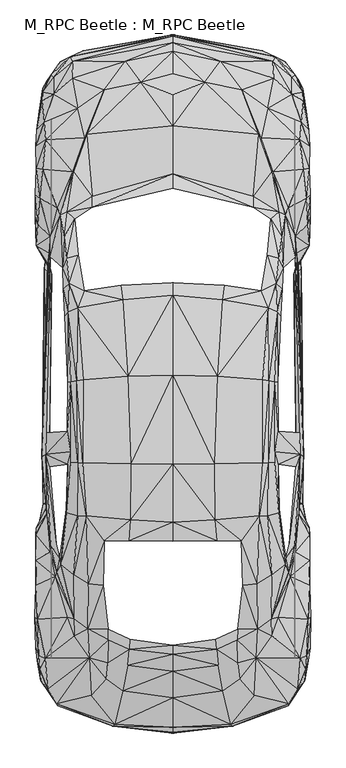
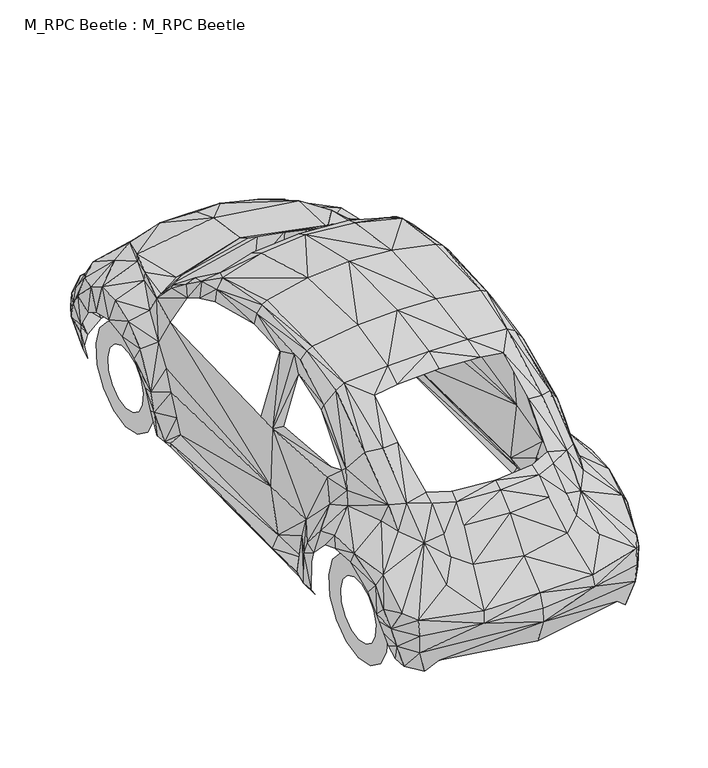
"""IFC4 building model written with IfcOpenShell, lengths in millimetres: proxy geometry, M_RPC Beetle : M_RPC Beetle."""

from ifc_helpers import new_model, si_unit, origin, place, context, project, spatial, triangles, source, transform, mapped, element, save


def m_rpc_beetle_m_rpc_beetle_b6d71803(model_context):
    return source(origin(), model_context, "Body", "Tessellation", [
        triangles([(0.0, -749.071574, 521.742899), (0.0, -720.6335569, 604.033443), (0.0, -697.1470545, 283.3282728), (0.0, -553.0728908, 738.9057701), (0.0, -753.760096, 438.7513078), (0.0, -253.8386484, 1040.4185434), (0.0, -401.3744104, 922.0218458), (0.0, -305.0182643, 1012.9445663), (0.0, 339.5469707, 1396.6602436), (0.0, 448.9171117, 1443.1075539), (0.0, 778.6050184, 1505.0664173), (0.0, 1285.8879353, 1510.4998066), (0.0, 1742.2541199, 1403.2768456), (0.0, 2432.6093651, 967.8556761), (0.0, 3132.1224815, 632.4714237), (0.0, 3003.4724854, 772.0323092), (0.0, 2706.0784286, 929.3833151), (0.0, 3166.3445206, 220.3177475), (0.0, 2885.1195351, 859.3180424), (0.0, 3224.7104347, 396.0724085), (0.0, 3181.1549538, 556.1401817), (0.0, 3216.1220055, 530.6379956), (-338.407687, -715.988855, 523.3642027), (-331.2653541, -702.6243364, 593.8676027), (-244.8997318, -218.1706584, 1034.7659815), (-249.1500901, -276.1420835, 1003.6112698), (-257.9137267, -368.4231514, 912.4695219), (-249.2377301, 343.0524253, 1381.9373051), (-285.431542, -511.8838351, 760.9462852), (-240.2988317, 460.3974792, 1427.552108), (-236.6180971, 781.4093531, 1494.4185207), (-652.9344915, -590.6250681, 370.7455024), (-540.4532759, -593.7361791, 283.6349946), (-181.3633847, 2956.2803078, 806.8677555), (-253.3566466, 1279.4466133, 1497.179108), (-380.1225826, -444.6667534, 798.8051662), (-371.1837024, -353.5687892, 889.7717068), (-368.2478714, -222.3771967, 1004.1371098), (-368.6422514, -160.8126769, 1037.3951088), (-390.4198829, 343.0962453, 1359.9406826), (-282.758631, 1714.4296555, 1400.2533382), (-397.6060358, 87.5486986, 1216.1732225), (-463.4209502, -538.1309249, 705.2972111), (-271.6726434, 3074.4140854, 663.1441154), (-476.0843851, -323.2904411, 850.4230185), (-464.0343939, 3087.9975586, 214.4022838), (-482.5694544, 95.8303334, 1204.2108713), (-485.3738254, -159.4104914, 1005.7583771), (-569.1103566, 3073.5815781, 547.1136251), (-493.874542, 483.577278, 1392.2346416), (-583.6579788, 3101.4935371, 522.400199), (-510.6130915, 3134.4011215, 369.6500387), (-392.1287902, 2913.6012268, 783.2935404), (-656.7905062, -598.249421, 480.4223834), (-660.6903408, -585.2354261, 576.6470695), (-562.669071, -200.2052034, 880.3069502), (-560.43436, -101.5266881, 987.8367239), (-512.8040188, 786.711355, 1449.4173431), (-542.1621832, 485.1109417, 1360.7731899), (-564.3779783, 148.6750366, 1173.0999796), (-608.8972449, -561.6174273, 218.6088402), (-511.6209151, 1259.3779255, 1457.1731197), (-542.7756269, 785.2215477, 1431.62715), (-459.1705556, 2305.6242382, 949.6711029), (-601.448172, -92.8068806, 893.8030014), (-504.0842022, 1766.485635, 1321.8626289), (-546.4125415, 1253.8568962, 1442.4940739), (-603.419963, 501.4989312, 1279.4466133), (-580.5469042, 789.4281223, 1379.6588104), (-607.6265376, 520.2092717, 1235.979063), (-601.6672357, 965.9276688, 1337.9439148), (-712.9654203, -503.4269022, 590.8879881), (-543.0385468, 1671.1811325, 1362.0876446), (-490.9387473, 2659.6751564, 894.1096687), (-600.0459683, 778.6050184, 1308.1913704), (-598.468521, 1244.567347, 1344.6919041), (-640.008173, 208.2677382, 1063.2039986), (-680.8904886, -470.5194632, 218.8279221), (-538.8320086, 1968.0492039, 1181.3815962), (-581.3794478, 1249.0807343, 1402.7071129), (-644.9596149, 243.4537263, 1028.9820322), (-502.6819985, 2637.5907486, 866.5918716), (-661.1722881, 162.3463042, 955.8933249), (-690.7057325, -396.8611321, 226.9780968), (-559.5141764, 2176.4921494, 1011.849139), (-670.6370447, 140.9630437, 873.2960409), (-662.9250154, 324.5173285, 1010.1402317), (-615.5138105, 1624.5585423, 1262.9710201), (-595.0507064, 1647.2125374, 1322.1692963), (-589.8363444, 1810.8295853, 1270.2885967), (-729.3095535, -482.3065707, 373.4622334), (-752.0950087, -454.7449536, 476.8731088), (-694.5179272, 315.5346282, 958.4347395), (-727.0748789, -327.5407994, 736.0575428), (-623.3572271, 1778.4479862, 1193.6068674), (-565.0352783, 2447.3761963, 934.772957), (-732.2892408, -394.1444012, 324.3420848), (-571.3888876, 2445.9300636, 884.7764448), (-699.1188818, 280.0419, 808.1822828), (-604.6907066, 1951.091518, 1171.2596123), (-587.8206971, 3015.1281693, 200.2490234), (-691.4068525, 574.6314222, 283.8102746), (-750.7366613, -381.2618663, 397.2555121), (-627.9581818, 1897.5456585, 1125.469602), (-602.8941593, 2217.067725, 949.8025629), (-619.8517725, 2074.2206303, 1075.9989298), (-710.949773, 550.0056361, 448.9171117), (-765.2404999, -360.5796985, 467.8465522), (-699.9952091, 763.1372126, 1016.187101), (-763.8382599, -313.4313409, 671.3819847), (-758.3609779, -391.2086065, 565.0352783), (-717.9606823, 496.6350929, 583.9647188), (-723.2188643, 461.5367629, 181.1004829), (-718.1359623, 554.8256181, 180.0050374), (-771.9884892, -342.0446016, 511.3579951), (-574.3247186, 2977.4883156, 683.0814159), (-731.2813808, 376.1351443, 185.3070212), (-541.5487395, 2807.2984131, 783.4688204), (-640.183453, 2199.9349045, 944.8949409), (-739.4315374, 551.9336434, 222.5524767), (-782.1104731, -268.9559124, 609.6421486), (-772.8209965, -106.1275973, 756.4330433), (-722.2110043, 958.3909195, 967.6803961), (-703.8074038, 810.6798775, 292.5300731), (-725.3221516, 835.6124399, 965.0075214), (-758.2734106, 370.7893224, 225.6197495), (-785.8788477, -90.0025187, 695.9639145), (-780.1824657, 80.9759712, 676.0266867), (-779.9195457, 89.5643369, 755.1622633), (-760.9024652, 444.4038334, 223.2973804), (-778.6050184, 192.2302905, 631.3321764), (-659.0690735, 2238.6701855, 850.3353785), (-771.4626492, 345.7253363, 426.4822165), (-774.7051838, 315.3593482, 502.0247349), (-781.7160931, 232.4115588, 696.3582945), (-719.7134096, 810.6360575, 185.964303), (-690.3552452, 1860.1249775, 294.1075386), (-697.1470545, 1960.2056419, 957.0763922), (-780.2701057, 377.6249516, 532.7412829), (-778.6488384, 417.2804163, 440.0220151), (-746.0043194, 820.1446341, 614.0678232), (-678.173794, 2886.7845497, 671.0752447), (-698.0233818, 2078.8215122, 757.3970106), (-640.051993, 3071.2590454, 391.9535102), (-713.4911877, 1919.5424263, 537.0792812), (-718.6617296, 1911.1731697, 193.1066541), (-705.6477711, 1983.2978371, 648.7279896), (-731.2813808, 1892.3751892, 233.5070043), (-674.4492393, 2909.8331429, 198.8030179), (-727.3815462, 2040.3052586, 190.0832013), (-722.1233643, 1974.7095531, 190.0832013), (-678.6557413, 2984.5867195, 540.8914395), (-700.0828491, 2817.5957497, 206.339749), (-696.8403145, 2993.6132034, 517.7554607), (-724.1390116, 2626.4609047, 788.1135223), (-699.5570091, 1883.7430126, 390.6389465), (-765.4157072, 2043.5477932, 362.8144094), (-742.2797647, 2459.3385475, 809.2338902), (-716.646155, 2967.1470863, 449.8372953), (-766.9494072, 2002.4902702, 376.836228), (-732.0701408, 2726.2786491, 728.1264862), (-771.6817492, 2086.0077015, 482.5694544), (-759.6317579, 2292.9609123, 780.6206657), (-769.5346418, 2144.7677776, 699.5131891), (-778.0791784, 2024.2239727, 495.1452856), (-742.9808121, 2848.7944267, 602.2807157), (-782.6363131, 2187.1400459, 616.8721579), (-740.0450174, 2920.3932541, 427.6653202), (-741.6224648, 2898.4841263, 520.1654517), (-750.9119413, 2806.3345184, 398.3509395), (-782.7677004, 2314.7385075, 681.1972286), (-778.6050184, 2464.4652695, 693.9921598), (-760.4204453, 2788.5004326, 455.5336773), (-774.7051838, 2684.6515388, 603.0694393), (-780.8835857, 2591.1871857, 666.7810301), (-743.1122721, 809.6720901, 220.5368294), (0.0, 2350.6693085, 1011.849139), (-459.1705556, 2241.4745201, 1007.2920044), (0.0, 1813.2396126, 1369.1424465), (-294.1513586, 1797.0267941, 1360.0720699), (-580.6345442, 850.2915585, 1382.7260651), (338.407687, -715.988855, 523.3642027), (331.2653541, -702.6243364, 593.8676027), (244.8997318, -218.1706584, 1034.7659815), (249.1500901, -276.1420835, 1003.6112698), (257.9137267, -368.4231514, 912.4695219), (249.2377301, 343.0524253, 1381.9373051), (285.431542, -511.8838351, 760.9462852), (240.2988317, 460.3974792, 1427.552108), (236.6180971, 781.4093531, 1494.4185207), (652.9344915, -590.6250681, 370.7455024), (540.4532759, -593.7361791, 283.6349946), (181.3633847, 2956.2803078, 806.8677555), (253.3566466, 1279.4466133, 1497.179108), (380.1225826, -444.6667534, 798.8051662), (371.1837024, -353.5687892, 889.7717068), (368.2478714, -222.3771967, 1004.1371098), (368.6422514, -160.8126769, 1037.3951088), (390.4198829, 343.0962453, 1359.9406826), (282.758631, 1714.4296555, 1400.2533382), (397.6060358, 87.5486986, 1216.1732225), (463.4209502, -538.1309249, 705.2972111), (271.6726434, 3074.4140854, 663.1441154), (476.0843851, -323.2904411, 850.4230185), (464.0343939, 3087.9975586, 214.4022838), (482.5694544, 95.8303334, 1204.2108713), (485.3738254, -159.4104914, 1005.7583771), (569.1103566, 3073.5815781, 547.1136251), (493.874542, 483.577278, 1392.2346416), (583.6579788, 3101.4935371, 522.400199), (510.6130915, 3134.4011215, 369.6500387), (392.1287902, 2913.6012268, 783.2935404), (656.7905062, -598.249421, 480.4223834), (660.6903408, -585.2354261, 576.6470695), (562.669071, -200.2052034, 880.3069502), (560.43436, -101.5266881, 987.8367239), (512.8040188, 786.711355, 1449.4173431), (542.1621832, 485.1109417, 1360.7731899), (564.3779783, 148.6750366, 1173.0999796), (608.8972449, -561.6174273, 218.6088402), (511.6209151, 1259.3779255, 1457.1731197), (542.7756269, 785.2215477, 1431.62715), (459.1705556, 2305.6242382, 949.6711029), (601.448172, -92.8068806, 893.8030014), (504.0842022, 1766.485635, 1321.8626289), (546.4125415, 1253.8568962, 1442.4940739), (603.419963, 501.4989312, 1279.4466133), (580.5469042, 789.4281223, 1379.6588104), (607.6265376, 520.2092717, 1235.979063), (601.6672357, 965.9276688, 1337.9439148), (712.9654203, -503.4269022, 590.8879881), (543.0385468, 1671.1811325, 1362.0876446), (490.9387473, 2659.6751564, 894.1096687), (600.0459683, 778.6050184, 1308.1913704), (598.468521, 1244.567347, 1344.6919041), (640.008173, 208.2677382, 1063.2039986), (680.9343086, -470.5194632, 218.8279221), (538.8320086, 1968.0492039, 1181.3815962), (581.3794478, 1249.0807343, 1402.7071129), (644.9596149, 243.4537263, 1028.9820322), (502.6819985, 2637.5907486, 866.5918716), (661.1722881, 162.3463042, 955.8933249), (690.7057325, -396.8611321, 226.9780968), (559.5141764, 2176.4921494, 1011.849139), (670.6370447, 140.9630437, 873.2960409), (662.9250154, 324.5173285, 1010.1402317), (615.5138105, 1624.5585423, 1262.9710201), (595.0507064, 1647.2125374, 1322.1692963), (589.8363444, 1810.8295853, 1270.2885967), (729.3095535, -482.3065707, 373.4622334), (752.0950087, -454.7449536, 476.8731088), (694.5179272, 315.5346282, 958.4347395), (727.0748789, -327.5407994, 736.0575428), (623.3572271, 1778.4479862, 1193.6068674), (565.0352783, 2447.3761963, 934.772957), (732.2892408, -394.1444012, 324.3420848), (571.3888876, 2445.9300636, 884.7764448), (699.1188818, 280.0419, 808.1822828), (604.6907066, 1951.091518, 1171.2596123), (587.8206971, 3015.1281693, 200.2490234), (691.4068525, 574.6314222, 283.8102746), (750.7366613, -381.2618663, 397.2555121), (627.9581818, 1897.5456585, 1125.469602), (602.8941593, 2217.067725, 949.8025629), (619.8517725, 2074.2206303, 1075.9989298), (710.949773, 550.0056361, 448.9171117), (765.2404999, -360.5796985, 467.8465522), (699.9952091, 763.1372126, 1016.187101), (763.8382599, -313.4313409, 671.3819847), (758.3609779, -391.2086065, 565.0352783), (717.9606823, 496.6350929, 583.9647188), (723.2188643, 461.5367629, 181.1004829), (718.1359623, 554.8256181, 180.0050374), (771.9884892, -342.0446016, 511.3579951), (574.3247186, 2977.4883156, 683.0814159), (731.2813808, 376.1351443, 185.3070212), (541.5487395, 2807.2984131, 783.4688204), (640.183453, 2199.9349045, 944.8949409), (739.4315374, 551.9336434, 222.5524767), (782.1104731, -268.9559124, 609.6421486), (772.8209965, -106.1275973, 756.4330433), (722.2548243, 958.3909195, 967.6803961), (703.8074038, 810.6798775, 292.5300731), (725.3221516, 835.6124399, 965.0075214), (758.2734106, 370.7893224, 225.6197495), (785.8788477, -90.0025187, 695.9639145), (780.1824657, 80.9759712, 676.0266867), (779.9633657, 89.5643369, 755.1622633), (760.9024652, 444.4038334, 223.2973804), (778.6050184, 192.2302905, 631.3321764), (659.0690735, 2238.6701855, 850.3353785), (771.4626492, 345.7253363, 426.4822165), (774.7051838, 315.3593482, 502.0247349), (781.7160931, 232.4115588, 696.3582945), (719.7134096, 810.6360575, 185.964303), (690.3552452, 1860.1249775, 294.1075386), (697.1470545, 1960.2056419, 957.0763922), (780.2701057, 377.6249516, 532.7412829), (778.6488384, 417.2804163, 440.0220151), (746.0043194, 820.1446341, 614.0678232), (678.173794, 2886.7845497, 671.0752447), (698.0233818, 2078.8215122, 757.3970106), (640.051993, 3071.2590454, 391.9535102), (713.4911877, 1919.5424263, 537.0792812), (718.6617296, 1911.1731697, 193.1066541), (705.6477711, 1983.2978371, 648.7279896), (731.2813808, 1892.3751892, 233.5070043), (674.4492393, 2909.8331429, 198.8030179), (727.3815462, 2040.3052586, 190.0832013), (722.1233643, 1974.7095531, 190.0832013), (678.6557413, 2984.5867195, 540.8914395), (700.0828491, 2817.5957497, 206.339749), (696.8403145, 2993.6132034, 517.7554607), (724.1390116, 2626.4609047, 788.1135223), (699.5570091, 1883.7430126, 390.6389465), (765.4157072, 2043.5477932, 362.8144094), (742.2797647, 2459.3385475, 809.2338902), (716.646155, 2967.1470863, 449.8372953), (766.9494072, 2002.4902702, 376.836228), (732.0701408, 2726.2786491, 728.1264862), (771.7255692, 2086.0077015, 482.5694544), (759.6317579, 2292.9609123, 780.6206657), (769.5346418, 2144.7677776, 699.5131891), (778.0791784, 2024.2239727, 495.1452856), (742.9808121, 2848.7944267, 602.2807157), (782.6363131, 2187.1400459, 616.8721579), (740.0450174, 2920.3932541, 427.6653202), (741.6224648, 2898.4841263, 520.1654517), (750.9119413, 2806.3345184, 398.3509395), (782.7677004, 2314.7385075, 681.1972286), (778.6050184, 2464.4652695, 693.9921598), (760.4204453, 2788.5004326, 455.5336773), (774.7051838, 2684.6515388, 603.0694393), (780.8835857, 2591.1871857, 666.7810301), (743.1122721, 809.6720901, 220.5368294), (459.1705556, 2241.4745201, 1007.2920044), (294.1513586, 1797.0267941, 1360.0720699), (580.6345442, 850.2915585, 1382.7260651), (-693.6415998, 2431.9082451, 0.0015117), (-693.6415998, 2431.9082451, 117.9161946), (-693.6415998, 2558.8496246, 26.9935036), (-693.6415998, 2509.4663017, 134.3918332), (-693.6415998, 2663.794091, 103.2371124), (-693.6415998, 2573.6600578, 181.0143508), (-693.6415998, 2728.6886765, 215.6307153), (-693.6415998, 2613.3154861, 249.7212399), (-693.6415998, 2742.2724403, 344.6752187), (-693.6415998, 2621.5972481, 328.5939328), (-693.6415998, 2702.1786667, 468.1109982), (-693.6415998, 2597.102813, 404.0050275), (-693.6415998, 2615.3310608, 564.5109644), (-693.6415998, 2544.0389008, 462.9404563), (-693.6415998, 2496.8028305, 617.3118113), (-693.6415998, 2471.5636734, 495.2344517), (-693.6415998, 2367.0135143, 617.3118113), (-693.6415998, 2392.2528168, 495.2344517), (-693.6415998, 2248.4854294, 564.5109644), (-693.6415998, 2319.7775894, 462.9404563), (-693.6415998, 2161.6378235, 468.1109982), (-693.6415998, 2266.7138226, 404.0050275), (-693.6415998, 2121.5441952, 344.6752187), (-693.6415998, 2242.2193874, 328.5939328), (-693.6415998, 2135.1278137, 215.6307153), (-693.6415998, 2250.501004, 249.7212399), (-693.6415998, 2200.0225445, 103.2371124), (-693.6415998, 2290.1564323, 181.0143508), (-693.6415998, 2304.9670109, 26.9935036), (-693.6415998, 2354.3500431, 134.3918332), (693.6415998, 2431.9082451, 0.0015117), (693.6415998, 2431.9082451, 117.9161946), (693.6415998, 2304.9670109, 26.9935036), (693.6415998, 2354.3500431, 134.3918332), (693.6415998, 2200.0225445, 103.2371124), (693.6415998, 2290.1564323, 181.0143508), (693.6415998, 2135.1278137, 215.6307153), (693.6415998, 2250.501004, 249.7212399), (693.6415998, 2121.5441952, 344.6752187), (693.6415998, 2242.2193874, 328.5939328), (693.6415998, 2161.6378235, 468.1109982), (693.6415998, 2266.7138226, 404.0050275), (693.6415998, 2248.4854294, 564.5109644), (693.6415998, 2319.7775894, 462.9404563), (693.6415998, 2367.0135143, 617.3118113), (693.6415998, 2392.2528168, 495.2344517), (693.6415998, 2496.8028305, 617.3118113), (693.6415998, 2471.5636734, 495.2344517), (693.6415998, 2615.3310608, 564.5109644), (693.6415998, 2544.0389008, 462.9404563), (693.6415998, 2702.1786667, 468.1109982), (693.6415998, 2597.102813, 404.0050275), (693.6415998, 2742.2724403, 344.6752187), (693.6415998, 2621.5972481, 328.5939328), (693.6415998, 2728.6886765, 215.6307153), (693.6415998, 2613.3154861, 249.7212399), (693.6415998, 2663.794091, 103.2371124), (693.6415998, 2573.6600578, 181.0143508), (693.6415998, 2558.8496246, 26.9935036), (693.6415998, 2509.4663017, 134.3918332), (-693.6415998, -13.5836322, 0.0015117), (-693.6415998, -13.5836322, 117.9161946), (-693.6415998, 113.3575975, 26.9935036), (-693.6415998, 63.9745244, 134.3918332), (-693.6415998, 218.3021002, 103.2371124), (-693.6415998, 128.1681397, 181.0143508), (-693.6415998, 283.1968128, 215.6307153), (-693.6415998, 167.8235862, 249.7212399), (-693.6415998, 296.7804495, 344.6752187), (-693.6415998, 176.1052209, 328.5939328), (-693.6415998, 256.6868212, 468.1109982), (-693.6415998, 151.6108585, 404.0050275), (-693.6415998, 169.8392153, 564.5109644), (-693.6415998, 98.5470553, 462.9404563), (-693.6415998, 51.3110713, 617.3118113), (-693.6415998, 26.0718098, 495.2344517), (-693.6415998, -78.4783402, 617.3118113), (-693.6415998, -53.2390741, 495.2344517), (-693.6415998, -197.0064706, 564.5109644), (-693.6415998, -125.7143196, 462.9404563), (-693.6415998, -283.8540765, 468.1109982), (-693.6415998, -178.7781137, 404.0050275), (-693.6415998, -323.9477048, 344.6752187), (-693.6415998, -203.2724762, 328.5939328), (-693.6415998, -310.3640862, 215.6307153), (-693.6415998, -194.9908414, 249.7212399), (-693.6415998, -245.4693737, 103.2371124), (-693.6415998, -155.335395, 181.0143508), (-693.6415998, -140.5248618, 26.9935036), (-693.6415998, -91.1417842, 134.3918332), (693.6415998, -13.5836322, 0.0015117), (693.6415998, -13.5836322, 117.9161946), (693.6415998, -140.5248618, 26.9935036), (693.6415998, -91.1417842, 134.3918332), (693.6415998, -245.4693737, 103.2371124), (693.6415998, -155.335395, 181.0143508), (693.6415998, -310.3640862, 215.6307153), (693.6415998, -194.9908414, 249.7212399), (693.6415998, -323.9477048, 344.6752187), (693.6415998, -203.2724762, 328.5939328), (693.6415998, -283.8540765, 468.1109982), (693.6415998, -178.7781137, 404.0050275), (693.6415998, -197.0064706, 564.5109644), (693.6415998, -125.7143196, 462.9404563), (693.6415998, -78.4783402, 617.3118113), (693.6415998, -53.2390741, 495.2344517), (693.6415998, 51.3110713, 617.3118113), (693.6415998, 26.0718098, 495.2344517), (693.6415998, 169.8392153, 564.5109644), (693.6415998, 98.5470553, 462.9404563), (693.6415998, 256.6868212, 468.1109982), (693.6415998, 151.6108585, 404.0050275), (693.6415998, 296.7804495, 344.6752187), (693.6415998, 176.1052209, 328.5939328), (693.6415998, 283.1968128, 215.6307153), (693.6415998, 167.8235862, 249.7212399), (693.6415998, 218.3021002, 103.2371124), (693.6415998, 128.1681397, 181.0143508), (693.6415998, 113.3575975, 26.9935036), (693.6415998, 63.9745244, 134.3918332)], [[67, 58, 62], [67, 63, 58], [53, 82, 74], [34, 17, 19], [118, 82, 53], [155, 98, 82], [155, 158, 98], [34, 74, 17], [172, 155, 175], [172, 158, 155], [159, 168, 169], [166, 142, 169], [175, 161, 174], [175, 155, 161], [142, 152, 169], [154, 169, 152], [160, 145, 165], [160, 156, 145], [162, 160, 165], [162, 157, 160], [34, 53, 74], [74, 96, 64], [82, 96, 74], [82, 98, 96], [36, 29, 27], [29, 43, 24], [23, 55, 54], [23, 24, 55], [23, 2, 24], [23, 1, 2], [5, 1, 23], [134, 140, 133], [134, 139, 140], [117, 130, 113], [117, 126, 130], [113, 120, 114], [113, 130, 120], [140, 112, 107], [140, 139, 112], [92, 108, 103], [91, 103, 97], [91, 92, 103], [61, 33, 32], [84, 78, 91], [84, 91, 97], [38, 26, 25], [77, 81, 83], [63, 50, 58], [63, 59, 50], [68, 63, 69], [68, 59, 63], [181, 75, 69], [74, 64, 17], [64, 14, 17], [64, 178, 14], [178, 177, 14], [34, 19, 16], [53, 34, 44], [21, 44, 15], [21, 49, 44], [44, 34, 15], [34, 16, 15], [22, 49, 21], [22, 51, 49], [20, 51, 22], [20, 52, 51], [18, 52, 20], [18, 46, 52], [51, 152, 49], [51, 154, 152], [101, 144, 46], [144, 52, 46], [101, 159, 144], [159, 169, 154], [101, 168, 159], [101, 149, 168], [149, 170, 168], [149, 153, 170], [168, 173, 169], [168, 170, 173], [49, 142, 116], [49, 152, 142], [49, 116, 44], [116, 142, 118], [161, 155, 118], [155, 82, 118], [142, 161, 118], [158, 132, 98], [158, 163, 132], [172, 163, 158], [172, 171, 163], [98, 119, 96], [98, 132, 119], [171, 164, 163], [171, 167, 164], [163, 143, 132], [163, 164, 143], [96, 105, 64], [96, 119, 105], [105, 178, 64], [105, 85, 178], [167, 165, 164], [167, 162, 165], [165, 143, 164], [165, 147, 143], [150, 160, 157], [150, 151, 160], [151, 156, 160], [151, 148, 137], [13, 35, 12], [13, 41, 35], [12, 31, 11], [12, 35, 31], [35, 58, 31], [35, 62, 58], [11, 30, 10], [11, 31, 30], [31, 50, 30], [31, 58, 50], [10, 28, 9], [10, 30, 28], [30, 40, 28], [30, 50, 40], [125, 75, 181], [125, 109, 75], [125, 87, 109], [125, 93, 87], [123, 141, 125], [137, 141, 156], [137, 124, 141], [148, 124, 137], [148, 176, 124], [146, 176, 148], [146, 136, 176], [141, 112, 125], [112, 93, 125], [112, 99, 93], [124, 112, 141], [124, 107, 112], [124, 102, 107], [176, 102, 124], [176, 120, 102], [136, 120, 176], [136, 114, 120], [47, 40, 50], [47, 42, 40], [48, 42, 47], [48, 39, 42], [57, 47, 60], [57, 48, 47], [60, 50, 59], [60, 47, 50], [59, 77, 60], [59, 68, 77], [77, 57, 60], [77, 83, 57], [70, 77, 68], [70, 81, 77], [75, 68, 69], [75, 70, 68], [26, 6, 25], [26, 8, 6], [27, 8, 26], [27, 7, 8], [29, 7, 27], [29, 4, 7], [24, 4, 29], [24, 2, 4], [32, 5, 23], [33, 5, 32], [33, 3, 5], [32, 23, 54], [55, 45, 72], [55, 24, 43], [99, 83, 93], [99, 86, 83], [135, 86, 99], [135, 129, 86], [131, 129, 135], [131, 128, 129], [93, 81, 87], [93, 83, 81], [128, 122, 129], [128, 127, 122], [122, 86, 129], [122, 65, 86], [86, 57, 83], [86, 65, 57], [127, 110, 122], [127, 121, 110], [110, 94, 122], [122, 94, 65], [94, 56, 65], [56, 57, 65], [56, 48, 57], [56, 45, 48], [94, 45, 56], [115, 110, 121], [115, 111, 110], [111, 94, 110], [111, 72, 94], [108, 92, 115], [92, 111, 115], [78, 32, 91], [78, 61, 32], [45, 38, 48], [45, 37, 38], [37, 26, 38], [37, 27, 26], [36, 27, 37], [134, 135, 139], [134, 131, 135], [139, 99, 112], [139, 135, 99], [126, 140, 130], [126, 133, 140], [130, 107, 120], [130, 140, 107], [120, 107, 102], [45, 36, 37], [92, 55, 72], [92, 54, 55], [91, 54, 92], [91, 32, 54], [92, 72, 111], [72, 45, 94], [43, 45, 55], [43, 36, 45], [43, 29, 36], [79, 90, 66], [79, 100, 90], [90, 73, 66], [85, 100, 79], [85, 106, 100], [85, 105, 106], [105, 119, 106], [95, 88, 89], [90, 89, 73], [89, 67, 73], [73, 67, 62], [89, 76, 80], [89, 80, 67], [88, 76, 89], [73, 35, 41], [73, 62, 35], [69, 63, 181], [80, 63, 67], [76, 71, 80], [146, 148, 151], [141, 147, 145], [151, 137, 156], [173, 166, 169], [173, 174, 166], [166, 174, 161], [166, 161, 142], [52, 144, 51], [144, 154, 51], [144, 159, 154], [116, 53, 44], [116, 118, 53], [119, 143, 138], [143, 119, 132], [143, 147, 138], [138, 104, 119], [119, 104, 106], [104, 100, 106], [104, 90, 100], [104, 95, 90], [95, 89, 90], [25, 39, 38], [38, 39, 48], [141, 138, 147], [156, 141, 145], [165, 145, 147], [41, 179, 180], [41, 13, 179], [66, 41, 180], [66, 73, 41], [123, 125, 71], [125, 181, 71], [71, 181, 80], [181, 63, 80], [138, 141, 123], [226, 221, 217], [226, 217, 222], [212, 233, 241], [193, 19, 17], [277, 212, 241], [314, 241, 257], [314, 257, 317], [193, 17, 233], [331, 334, 314], [331, 314, 317], [318, 328, 327], [325, 328, 301], [334, 333, 320], [334, 320, 314], [301, 328, 311], [313, 311, 328], [319, 324, 304], [319, 304, 315], [321, 324, 319], [321, 319, 316], [193, 233, 212], [233, 223, 255], [241, 233, 255], [241, 255, 257], [195, 186, 188], [188, 183, 202], [182, 213, 214], [182, 214, 183], [182, 183, 2], [182, 2, 1], [5, 182, 1], [293, 292, 299], [293, 299, 298], [276, 272, 289], [276, 289, 285], [272, 273, 279], [272, 279, 289], [299, 266, 271], [299, 271, 298], [251, 262, 267], [250, 256, 262], [250, 262, 251], [220, 191, 192], [243, 250, 237], [243, 256, 250], [197, 184, 185], [236, 242, 240], [222, 217, 209], [222, 209, 218], [227, 228, 222], [227, 222, 218], [338, 228, 234], [233, 17, 223], [223, 17, 14], [223, 14, 336], [336, 14, 177], [193, 16, 19], [212, 203, 193], [21, 15, 203], [21, 203, 208], [203, 15, 193], [193, 15, 16], [22, 21, 208], [22, 208, 210], [20, 22, 210], [20, 210, 211], [18, 20, 211], [18, 211, 205], [210, 208, 311], [210, 311, 313], [260, 205, 303], [303, 205, 211], [260, 303, 318], [318, 313, 328], [260, 318, 327], [260, 327, 308], [308, 327, 329], [308, 329, 312], [327, 328, 332], [327, 332, 329], [208, 275, 301], [208, 301, 311], [208, 203, 275], [275, 277, 301], [320, 277, 314], [314, 277, 241], [301, 277, 320], [317, 257, 291], [317, 291, 322], [331, 317, 322], [331, 322, 330], [257, 255, 278], [257, 278, 291], [330, 322, 323], [330, 323, 326], [322, 291, 302], [322, 302, 323], [255, 223, 264], [255, 264, 278], [264, 223, 336], [264, 336, 244], [326, 323, 324], [326, 324, 321], [324, 323, 302], [324, 302, 306], [309, 316, 319], [309, 319, 310], [310, 319, 315], [310, 296, 307], [13, 12, 194], [13, 194, 200], [12, 11, 190], [12, 190, 194], [194, 190, 217], [194, 217, 221], [11, 10, 189], [11, 189, 190], [190, 189, 209], [190, 209, 217], [10, 9, 187], [10, 187, 189], [189, 187, 199], [189, 199, 209], [284, 338, 234], [284, 234, 268], [284, 268, 246], [284, 246, 252], [282, 284, 300], [296, 315, 300], [296, 300, 283], [307, 296, 283], [307, 283, 335], [305, 307, 335], [305, 335, 295], [300, 284, 271], [271, 284, 252], [271, 252, 258], [283, 300, 271], [283, 271, 266], [283, 266, 261], [335, 283, 261], [335, 261, 279], [295, 335, 279], [295, 279, 273], [206, 209, 199], [206, 199, 201], [207, 206, 201], [207, 201, 198], [216, 219, 206], [216, 206, 207], [219, 218, 209], [219, 209, 206], [218, 219, 236], [218, 236, 227], [236, 219, 216], [236, 216, 242], [229, 227, 236], [229, 236, 240], [234, 228, 227], [234, 227, 229], [185, 184, 6], [185, 6, 8], [186, 185, 8], [186, 8, 7], [188, 186, 7], [188, 7, 4], [183, 188, 4], [183, 4, 2], [191, 182, 5], [192, 191, 5], [192, 5, 3], [191, 213, 182], [214, 231, 204], [214, 202, 183], [258, 252, 242], [258, 242, 245], [294, 258, 245], [294, 245, 288], [290, 294, 288], [290, 288, 287], [252, 246, 240], [252, 240, 242], [287, 288, 281], [287, 281, 286], [281, 288, 245], [281, 245, 224], [245, 242, 216], [245, 216, 224], [286, 281, 269], [286, 269, 280], [269, 281, 253], [281, 224, 253], [253, 224, 215], [215, 224, 216], [215, 216, 207], [215, 207, 204], [253, 215, 204], [274, 280, 269], [274, 269, 270], [270, 269, 253], [270, 253, 231], [267, 274, 251], [251, 274, 270], [237, 250, 191], [237, 191, 220], [204, 207, 197], [204, 197, 196], [196, 197, 185], [196, 185, 186], [195, 196, 186], [293, 298, 294], [293, 294, 290], [298, 271, 258], [298, 258, 294], [285, 289, 299], [285, 299, 292], [289, 279, 266], [289, 266, 299], [279, 261, 266], [204, 196, 195], [251, 231, 214], [251, 214, 213], [250, 251, 213], [250, 213, 191], [251, 270, 231], [231, 253, 204], [202, 214, 204], [202, 204, 195], [202, 195, 188], [238, 225, 249], [238, 249, 259], [249, 225, 232], [244, 238, 259], [244, 259, 265], [244, 265, 264], [264, 265, 278], [254, 248, 247], [249, 232, 248], [248, 232, 226], [232, 221, 226], [248, 239, 235], [248, 226, 239], [247, 248, 235], [232, 200, 194], [232, 194, 221], [228, 338, 222], [239, 226, 222], [235, 239, 230], [305, 310, 307], [300, 304, 306], [310, 315, 296], [332, 328, 325], [332, 325, 333], [325, 320, 333], [325, 301, 320], [211, 210, 303], [303, 210, 313], [303, 313, 318], [275, 203, 212], [275, 212, 277], [278, 297, 302], [302, 291, 278], [302, 297, 306], [297, 278, 263], [278, 265, 263], [263, 265, 259], [263, 259, 249], [263, 249, 254], [254, 249, 248], [184, 197, 198], [197, 207, 198], [300, 306, 297], [315, 304, 300], [324, 306, 304], [200, 337, 179], [200, 179, 13], [225, 337, 200], [225, 200, 232], [282, 230, 284], [284, 230, 338], [230, 239, 338], [338, 239, 222], [297, 282, 300], [339, 342, 341], [339, 340, 342], [341, 344, 343], [341, 342, 344], [343, 346, 345], [343, 344, 346], [345, 348, 347], [345, 346, 348], [347, 350, 349], [347, 348, 350], [349, 352, 351], [349, 350, 352], [351, 354, 353], [351, 352, 354], [353, 356, 355], [353, 354, 356], [355, 358, 357], [355, 356, 358], [357, 360, 359], [357, 358, 360], [359, 362, 361], [359, 360, 362], [361, 364, 363], [361, 362, 364], [363, 366, 365], [363, 364, 366], [365, 368, 367], [365, 366, 368], [367, 340, 339], [367, 368, 340], [369, 372, 371], [369, 370, 372], [371, 374, 373], [371, 372, 374], [373, 376, 375], [373, 374, 376], [375, 378, 377], [375, 376, 378], [377, 380, 379], [377, 378, 380], [379, 382, 381], [379, 380, 382], [381, 384, 383], [381, 382, 384], [383, 386, 385], [383, 384, 386], [385, 388, 387], [385, 386, 388], [387, 390, 389], [387, 388, 390], [389, 392, 391], [389, 390, 392], [391, 394, 393], [391, 392, 394], [393, 396, 395], [393, 394, 396], [395, 398, 397], [395, 396, 398], [397, 370, 369], [397, 398, 370], [399, 402, 401], [399, 400, 402], [401, 404, 403], [401, 402, 404], [403, 406, 405], [403, 404, 406], [405, 408, 407], [405, 406, 408], [407, 410, 409], [407, 408, 410], [409, 412, 411], [409, 410, 412], [411, 414, 413], [411, 412, 414], [413, 416, 415], [413, 414, 416], [415, 418, 417], [415, 416, 418], [417, 420, 419], [417, 418, 420], [419, 422, 421], [419, 420, 422], [421, 424, 423], [421, 422, 424], [423, 426, 425], [423, 424, 426], [425, 428, 427], [425, 426, 428], [427, 400, 399], [427, 428, 400], [429, 432, 431], [429, 430, 432], [431, 434, 433], [431, 432, 434], [433, 436, 435], [433, 434, 436], [435, 438, 437], [435, 436, 438], [437, 440, 439], [437, 438, 440], [439, 442, 441], [439, 440, 442], [441, 444, 443], [441, 442, 444], [443, 446, 445], [443, 444, 446], [445, 448, 447], [445, 446, 448], [447, 450, 449], [447, 448, 450], [449, 452, 451], [449, 450, 452], [451, 454, 453], [451, 452, 454], [453, 456, 455], [453, 454, 456], [455, 458, 457], [455, 456, 458], [457, 430, 429], [457, 458, 430]], closed=False),
    ])


if __name__ == "__main__":
    model = new_model("IFC4")
    model_context = context("Model", 3, world=origin())
    ifc_project = project(units=[si_unit("LENGTHUNIT", "METRE", prefix="MILLI")], contexts=[model_context])
    site = spatial("IfcSite", under=ifc_project)
    building = spatial("IfcBuilding", under=site)
    placement = place(None, origin())
    m_rpc_beetle_m_rpc_beetle_shape = m_rpc_beetle_m_rpc_beetle_b6d71803(model_context)
    element("IfcBuildingElementProxy", 1, Name="M_RPC Beetle : M_RPC Beetle", ObjectType="M_RPC Beetle : M_RPC Beetle", at=placement, inside=building, context=model_context, shape_type="MappedRepresentation", body=[
        mapped(m_rpc_beetle_m_rpc_beetle_shape, transform((0.0, 0.0, 0.0), x_axis=(1.0, 0.0, 0.0), y_axis=(0.0, 1.0, 0.0), z_axis=(0.0, 0.0, 1.0))),
    ])
    save(model, "model.ifc")
